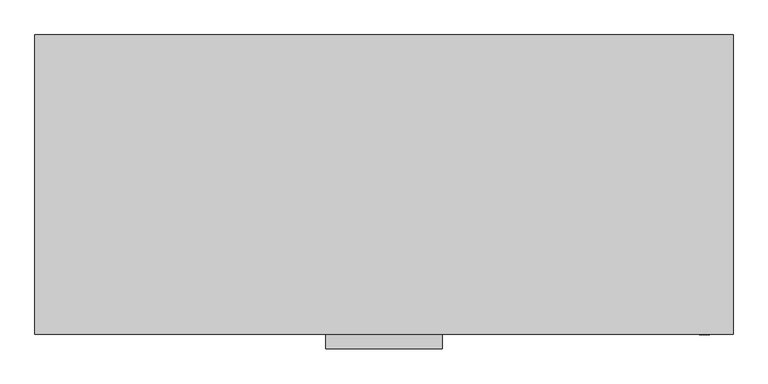
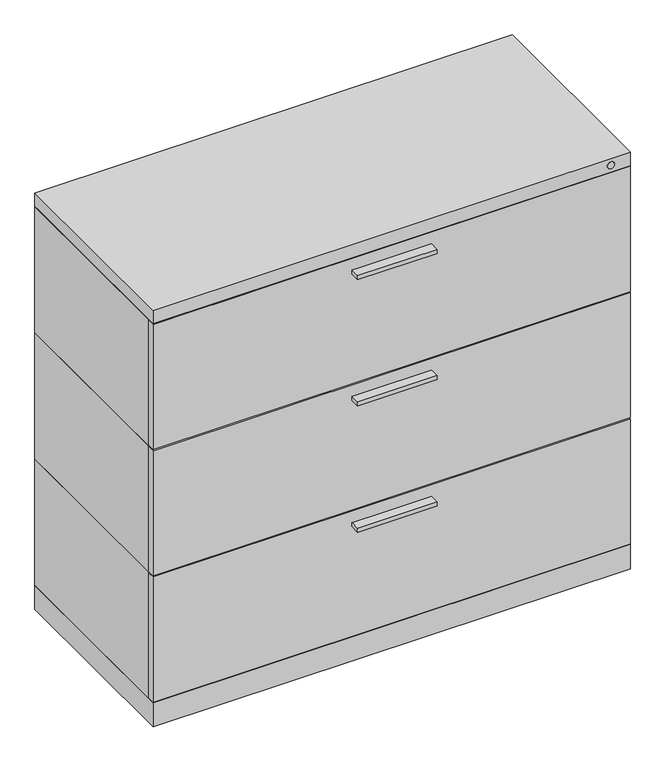
"""IFC4 building model written with IfcOpenShell, lengths in millimetres: furniture geometry."""

from ifc_helpers import new_model, si_unit, point, frame, frame_2d, origin, origin_with_axes, place, context, project, spatial, polyline, circle_curve, trimmed, segment, composite_curve, outline, extrude, source, transform, mapped, element, save


def furniture_2af36a9c(model_context):
    return source(origin(), model_context, "Body", "SweptSolid", [
        extrude(outline(polyline([(533.4, -211.9376), (533.4, -228.6), (-533.4, -228.6), (-533.4, -211.9376), (533.4, -211.9376)])), frame((0.0, 0.0, 655.6375), z_axis=(0.0, 0.0, 1.0), x_axis=(1.0, 0.0, 0.0)), (0.0, 0.0, 1.0), 295.2877),
        extrude(outline(polyline([(533.4, 228.6), (533.4, -211.9376), (-533.4, -211.9376), (-533.4, 228.6), (533.4, 228.6)])), frame((0.0, 0.0, 654.05), z_axis=(0.0, 0.0, 1.0), x_axis=(1.0, 0.0, 0.0)), (0.0, 0.0, 1.0), 298.45),
        extrude(outline(polyline([(-88.9, -228.6), (88.9, -228.6), (88.9, -250.825), (-88.9, -250.825), (-88.9, -228.6)])), frame((0.0, 0.0, 914.4), z_axis=(0.0, 0.0, 1.0), x_axis=(1.0, 0.0, 0.0)), (0.0, 0.0, 1.0), 9.525),
        extrude(outline(polyline([(533.4, -211.9376), (533.4, -228.6), (-533.4, -228.6), (-533.4, -211.9376), (533.4, -211.9376)])), frame((0.0, 0.0, 357.1875), z_axis=(0.0, 0.0, 1.0), x_axis=(1.0, 0.0, 0.0)), (0.0, 0.0, 1.0), 295.2877),
        extrude(outline(polyline([(533.4, 228.6), (533.4, -211.9376), (-533.4, -211.9376), (-533.4, 228.6), (533.4, 228.6)])), frame((0.0, 0.0, 355.6), z_axis=(0.0, 0.0, 1.0), x_axis=(1.0, 0.0, 0.0)), (0.0, 0.0, 1.0), 298.45),
        extrude(outline(polyline([(-88.9, -228.6), (88.9, -228.6), (88.9, -250.825), (-88.9, -250.825), (-88.9, -228.6)])), frame((0.0, 0.0, 615.95), z_axis=(0.0, 0.0, 1.0), x_axis=(1.0, 0.0, 0.0)), (0.0, 0.0, 1.0), 9.525),
        extrude(outline(polyline([(533.4, -211.9376), (533.4, -228.6), (-533.4, -228.6), (-533.4, -211.9376), (533.4, -211.9376)])), frame((0.0, 0.0, 58.7375), z_axis=(0.0, 0.0, 1.0), x_axis=(1.0, 0.0, 0.0)), (0.0, 0.0, 1.0), 295.2877),
        extrude(outline(polyline([(533.4, 228.6), (533.4, -211.9376), (-533.4, -211.9376), (-533.4, 228.6), (533.4, 228.6)])), frame((0.0, 0.0, 57.15), z_axis=(0.0, 0.0, 1.0), x_axis=(1.0, 0.0, 0.0)), (0.0, 0.0, 1.0), 298.45),
        extrude(outline(polyline([(-88.9, -228.6), (88.9, -228.6), (88.9, -250.825), (-88.9, -250.825), (-88.9, -228.6)])), frame((0.0, 0.0, 317.5), z_axis=(0.0, 0.0, 1.0), x_axis=(1.0, 0.0, 0.0)), (0.0, 0.0, 1.0), 9.525),
        extrude(outline(polyline([(533.4, 228.6), (533.4, -228.6), (-533.4, -228.6), (-533.4, 228.6), (533.4, 228.6)])), frame((0.0, 0.0, 952.5), z_axis=(0.0, 0.0, 1.0), x_axis=(1.0, 0.0, 0.0)), (0.0, 0.0, 1.0), 31.75),
        extrude(outline(polyline([(533.4, 228.6), (533.4, -228.6), (-533.4, -228.6), (-533.4, 228.6), (533.4, 228.6)])), origin_with_axes(), (0.0, 0.0, 1.0), 57.15),
        extrude(outline(composite_curve([segment(trimmed(circle_curve(frame_2d((969.2005, 489.74248)), 8.001), [point((969.2005, 497.74348))], [point((969.2005, 481.74148))], False, "CARTESIAN"), True, "CONTINUOUS"), segment(trimmed(circle_curve(frame_2d((969.2005, 489.74248)), 8.001), [point((969.2005, 481.74148))], [point((969.2005, 497.74348))], False, "CARTESIAN"), True, "CONTINUOUS")], self_intersect=False)), frame((0.0, -229.39502, 0.0), z_axis=(0.0, 1.0, 0.0), x_axis=(0.0, 0.0, 1.0)), (0.0, 0.0, 1.0), 0.79502),
    ])


if __name__ == "__main__":
    model = new_model("IFC4")
    model_context = context("Model", 3, world=origin())
    ifc_project = project(units=[si_unit("LENGTHUNIT", "METRE", prefix="MILLI")], contexts=[model_context])
    site = spatial("IfcSite", under=ifc_project)
    building = spatial("IfcBuilding", under=site)
    placement = place(None, origin())
    furniture_shape = furniture_2af36a9c(model_context)
    element("IfcFurniture", 1, at=placement, inside=building, context=model_context, shape_type="MappedRepresentation", body=[
        mapped(furniture_shape, transform((0.0, 0.0, 0.0), x_axis=(1.0, 0.0, 0.0), y_axis=(0.0, 1.0, 0.0), z_axis=(0.0, 0.0, 1.0))),
    ])
    save(model, "model.ifc")
